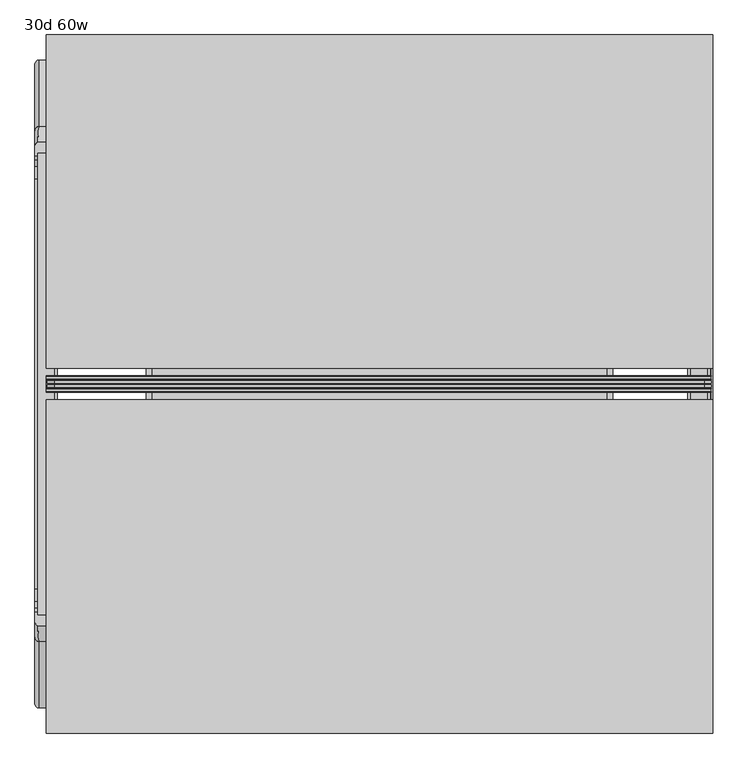
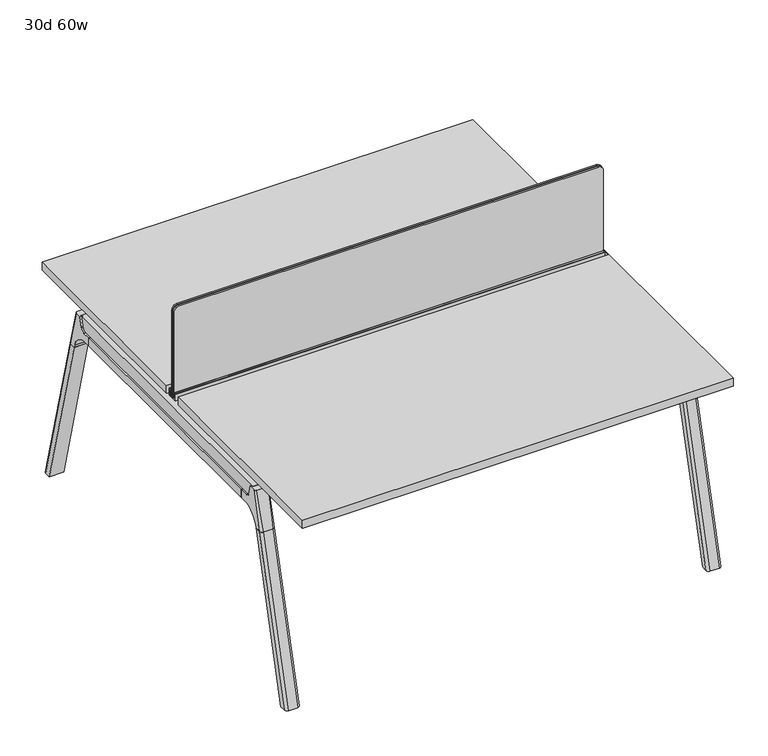
"""IFC4 building model written with IfcOpenShell, lengths in millimetres: furniture geometry, 30d 60w."""

from ifc_helpers import new_model, si_unit, point, frame, frame_2d, origin, place, context, project, spatial, polyline, circle_curve, ellipse_curve, trimmed, segment, composite_curve, outline, extrude, source, transform, mapped, element, save
from ifc_brep_helpers import plane_surface, cylinder_surface, revolved_surface, advanced_brep


def furniture_30d_60w_1b15b863(model_context):
    return source(origin(), model_context, "Body", "SolidModel", [
        extrude(outline(composite_curve([segment(polyline([(1054.89375, 955.675), (1054.89375, -523.875)]), True, "CONTINUOUS"), segment(trimmed(circle_curve(frame_2d((1039.01875, -523.875)), 15.875), [point((1054.89375, -523.875))], [point((1039.01875, -539.75))], False, "CARTESIAN"), True, "CONTINUOUS"), segment(polyline([(1039.01875, -539.75), (720.725, -539.75), (720.725, 971.55), (1039.01875, 971.55)]), True, "CONTINUOUS"), segment(trimmed(circle_curve(frame_2d((1039.01875, 955.675)), 15.875), [point((1039.01875, 971.55))], [point((1054.89375, 955.675))], False, "CARTESIAN"), True, "CONTINUOUS")], self_intersect=False)), frame((0.0, -201.3409766, 0.0), z_axis=(0.0, 1.0, 0.0), x_axis=(0.0, 0.0, 1.0)), (0.0, 0.0, 1.0), 3.175),
        extrude(outline(composite_curve([segment(polyline([(1058.06875, 958.85), (1058.06875, -527.05)]), True, "CONTINUOUS"), segment(trimmed(circle_curve(frame_2d((1042.19375, -527.05)), 15.875), [point((1058.06875, -527.05))], [point((1042.19375, -542.925))], False, "CARTESIAN"), True, "CONTINUOUS"), segment(polyline([(1042.19375, -542.925), (717.55, -542.925), (717.55, 974.725), (1042.19375, 974.725)]), True, "CONTINUOUS"), segment(trimmed(circle_curve(frame_2d((1042.19375, 958.85)), 15.875), [point((1042.19375, 974.725))], [point((1058.06875, 958.85))], False, "CARTESIAN"), True, "CONTINUOUS")], self_intersect=False)), frame((0.0, -198.1659766, 0.0), z_axis=(0.0, 1.0, 0.0), x_axis=(0.0, 0.0, 1.0)), (0.0, 0.0, 1.0), 5.55625),
        extrude(outline(composite_curve([segment(polyline([(1058.06875, 958.85), (1058.06875, -527.05)]), True, "CONTINUOUS"), segment(trimmed(circle_curve(frame_2d((1042.19375, -527.05)), 15.875), [point((1058.06875, -527.05))], [point((1042.19375, -542.925))], False, "CARTESIAN"), True, "CONTINUOUS"), segment(polyline([(1042.19375, -542.925), (717.55, -542.925), (717.55, 974.725), (1042.19375, 974.725)]), True, "CONTINUOUS"), segment(trimmed(circle_curve(frame_2d((1042.19375, 958.85)), 15.875), [point((1042.19375, 974.725))], [point((1058.06875, 958.85))], False, "CARTESIAN"), True, "CONTINUOUS")], self_intersect=False)), frame((0.0, -206.8972266, 0.0), z_axis=(0.0, 1.0, 0.0), x_axis=(0.0, 0.0, 1.0)), (0.0, 0.0, 1.0), 5.55625),
        extrude(outline(polyline([(-348.9784469, 559.4636683), (-364.040663, 627.7843353), (-35.4662901, 627.7843353), (-50.5285062, 559.4636683), (-46.7502281, 557.2647146), (-46.7502281, 549.3667827), (-62.6252238, 521.8704736), (-336.8817293, 521.8704736), (-352.756725, 549.3667827), (-352.756725, 557.2647146), (-348.9784469, 559.4636683)])), frame((736.6, 0.0, 0.0), z_axis=(1.0, 0.0, 0.0), x_axis=(0.0, 1.0, 0.0)), (0.0, 0.0, 1.0), 12.7),
        extrude(outline(polyline([(-348.9784469, 559.4636683), (-364.040663, 627.7843353), (-35.4662901, 627.7843353), (-50.5285062, 559.4636683), (-46.7502281, 557.2647146), (-46.7502281, 549.3667827), (-62.6252238, 521.8704736), (-336.8817293, 521.8704736), (-352.756725, 549.3667827), (-352.756725, 557.2647146), (-348.9784469, 559.4636683)])), frame((-317.5, 0.0, 0.0), z_axis=(1.0, 0.0, 0.0), x_axis=(0.0, 1.0, 0.0)), (0.0, 0.0, 1.0), 12.7),
        extrude(outline(polyline([(-18.0090763, 698.5), (3.7767266, 698.5), (3.7767266, 697.2935087), (-17.4495292, 697.2935087), (-19.0070753, 695.7359626), (-49.1186716, 559.1528512), (-50.5285062, 559.4636683), (-20.404074, 696.1050023), (-18.0090763, 698.5)])), frame((-317.5, 0.0, 0.0), z_axis=(1.0, 0.0, 0.0), x_axis=(0.0, 1.0, 0.0)), (0.0, 0.0, 1.0), 31.8008024),
        extrude(outline(polyline([(-381.4978768, 698.5), (-379.1028791, 696.1050023), (-348.9784469, 559.4636683), (-350.3882815, 559.1528512), (-380.4998778, 695.7359626), (-382.0574239, 697.2935087), (-403.2836797, 697.2935087), (-403.2836797, 698.5), (-381.4978768, 698.5)])), frame((-317.5, 0.0, 0.0), z_axis=(1.0, 0.0, 0.0), x_axis=(0.0, 1.0, 0.0)), (0.0, 0.0, 1.0), 31.8008024),
        extrude(outline(polyline([(-18.0090763, 698.5), (3.7767266, 698.5), (3.7767266, 697.2935087), (-17.4495292, 697.2935087), (-19.0070753, 695.7359626), (-49.1186716, 559.1528512), (-50.5285062, 559.4636683), (-20.404074, 696.1050023), (-18.0090763, 698.5)])), frame((717.4991976, 0.0, 0.0), z_axis=(1.0, 0.0, 0.0), x_axis=(0.0, 1.0, 0.0)), (0.0, 0.0, 1.0), 31.8008024),
        extrude(outline(polyline([(-381.4978768, 698.5), (-379.1028791, 696.1050023), (-348.9784469, 559.4636683), (-350.3882815, 559.1528512), (-380.4998778, 695.7359626), (-382.0574239, 697.2935087), (-403.2836797, 697.2935087), (-403.2836797, 698.5), (-381.4978768, 698.5)])), frame((717.4991976, 0.0, 0.0), z_axis=(1.0, 0.0, 0.0), x_axis=(0.0, 1.0, 0.0)), (0.0, 0.0, 1.0), 31.8008024),
        extrude(outline(polyline([(-353.550475, 557.5934966), (-351.518477, 559.6254947), (-350.957211, 559.0642287), (-352.756725, 557.2647146), (-352.756725, 549.3667827), (-352.5317745, 548.5272622), (-337.4390802, 522.3859395), (-336.0037101, 521.5572272), (-63.503243, 521.5572272), (-62.0678729, 522.3859395), (-46.9751786, 548.5272622), (-46.7502281, 549.3667827), (-46.7502281, 557.2647146), (-48.5497421, 559.0642287), (-47.9884761, 559.6254947), (-45.9564781, 557.5934966), (-45.9564781, 549.2622828), (-46.2355217, 548.2208856), (-61.4868074, 521.8048744), (-63.2905581, 520.7634772), (-336.216395, 520.7634772), (-338.0201457, 521.8048744), (-353.2714314, 548.2208856), (-353.550475, 549.2622828), (-353.550475, 557.5934966)])), frame((-317.4492037, 0.0, 0.0), z_axis=(1.0, 0.0, 0.0), x_axis=(0.0, 1.0, 0.0)), (0.0, 0.0, 1.0), 1066.7492037),
        extrude(outline(polyline([(-218.8034766, 715.9625), (-218.8034766, 741.3625), (-217.2159766, 741.3625), (-217.2159766, 720.725), (-210.8659766, 720.725), (-210.8659766, 741.3625), (-209.2784766, 741.3625), (-209.2784766, 717.55), (-190.2284766, 717.55), (-190.2284766, 741.3625), (-188.6409766, 741.3625), (-188.6409766, 720.725), (-182.2909766, 720.725), (-182.2909766, 741.3625), (-180.7034766, 741.3625), (-180.7034766, 715.9625), (-218.8034766, 715.9625)])), frame((-546.1, 0.0, 0.0), z_axis=(1.0, 0.0, 0.0), x_axis=(0.0, 1.0, 0.0)), (0.0, 0.0, 1.0), 1520.825),
        extrude(outline(composite_curve([segment(polyline([(328.0902734, 711.2), (319.0321726, 677.3947076)]), True, "CONTINUOUS"), segment(trimmed(circle_curve(frame_2d((303.6981001, 681.5034599)), 15.875), [point((319.0321726, 677.3947076))], [point((303.6981001, 665.6284599))], False, "CARTESIAN"), True, "CONTINUOUS"), segment(polyline([(303.6981001, 665.6284599), (-703.2050533, 665.6284599)]), True, "CONTINUOUS"), segment(trimmed(circle_curve(frame_2d((-703.2050533, 681.5034599)), 15.875), [point((-703.2050533, 665.6284599))], [point((-718.5391258, 677.3947076))], False, "CARTESIAN"), True, "CONTINUOUS"), segment(polyline([(-718.5391258, 677.3947076), (-727.5972266, 711.2), (328.0902734, 711.2)]), True, "CONTINUOUS")], self_intersect=False)), frame((927.1, 0.0, 0.0), z_axis=(1.0, 0.0, 0.0), x_axis=(0.0, 1.0, 0.0)), (0.0, 0.0, 1.0), 38.1),
        extrude(outline(polyline([(971.55, 267.7652734), (971.55, -667.2722266), (920.75, -667.2722266), (920.75, 267.7652734), (971.55, 267.7652734)])), frame((0.0, 0.0, 635.6476591), z_axis=(0.0, 0.0, 1.0), x_axis=(1.0, 0.0, 0.0)), (0.0, 0.0, 1.0), 29.9808008),
        extrude(outline(composite_curve([segment(polyline([(328.0902734, 711.2), (319.0321726, 677.3947076)]), True, "CONTINUOUS"), segment(trimmed(circle_curve(frame_2d((303.6981001, 681.5034599)), 15.875), [point((319.0321726, 677.3947076))], [point((303.6981001, 665.6284599))], False, "CARTESIAN"), True, "CONTINUOUS"), segment(polyline([(303.6981001, 665.6284599), (-703.2050533, 665.6284599)]), True, "CONTINUOUS"), segment(trimmed(circle_curve(frame_2d((-703.2050533, 681.5034599)), 15.875), [point((-703.2050533, 665.6284599))], [point((-718.5391258, 677.3947076))], False, "CARTESIAN"), True, "CONTINUOUS"), segment(polyline([(-718.5391258, 677.3947076), (-727.5972266, 711.2), (328.0902734, 711.2)]), True, "CONTINUOUS")], self_intersect=False)), frame((-565.15, 0.0, 0.0), z_axis=(1.0, 0.0, 0.0), x_axis=(0.0, 1.0, 0.0)), (0.0, 0.0, 1.0), 38.1),
        extrude(outline(polyline([(-520.7, 267.7652734), (-520.7, -667.2722266), (-571.5, -667.2722266), (-571.5, 267.7652734), (-520.7, 267.7652734)])), frame((0.0, 0.0, 635.6476591), z_axis=(0.0, 0.0, 1.0), x_axis=(1.0, 0.0, 0.0)), (0.0, 0.0, 1.0), 29.9808008),
        advanced_brep(
        [(920.75, -721.2935553, 711.2), (920.75, -712.2354545, 677.3947076), (920.75, -696.901382, 665.6284599), (920.75, -667.2722266, 665.6284599), (920.75, -667.2722266, 635.6476591), (920.75, -690.1434588, 635.6476591), (920.75, -754.5465633, 586.2294189), (920.75, -757.1047754, 576.6820411), (920.75, -778.2087453, 576.6820411), (920.75, -742.7601017, 711.2), (971.55, -757.1047754, 576.6820411), (971.55, -754.5465633, 586.2294189), (971.55, -690.1434588, 635.6476591), (971.55, -667.2722266, 635.6476591), (971.55, -667.2722266, 665.6284599), (971.55, -696.901382, 665.6284599), (971.55, -712.2354545, 677.3947076), (971.55, -721.2935553, 711.2), (971.55, -742.7601017, 711.2), (971.55, -778.2087453, 576.6820411), (927.0138162, -752.0149462, 711.2), (965.2861838, -752.0149462, 711.2), (962.025, -788.0589247, 576.6820411), (930.275, -788.0589247, 576.6820411)],
        [
            (0, 1),
            (1, 2, circle_curve(frame((920.75, -696.901382, 681.5034599), z_axis=(1.0, 0.0, 0.0), x_axis=(0.0, -1.0, 0.0)), 15.875)),
            (2, 3),
            (3, 4),
            (4, 5),
            (5, 6, circle_curve(frame((920.75, -690.1434588, 568.9726591), z_axis=(1.0, 0.0, 0.0), x_axis=(0.0, -1.0, 0.0)), 66.675)),
            (6, 7),
            (7, 8),
            (8, 9),
            (9, 0),
            (10, 11),
            (11, 12, circle_curve(frame((971.55, -690.1434588, 568.9726591), z_axis=(-1.0, 0.0, 0.0), x_axis=(0.0, -1.0, 0.0)), 66.675)),
            (12, 13),
            (13, 14),
            (14, 15),
            (15, 16, circle_curve(frame((971.55, -696.901382, 681.5034599), z_axis=(-1.0, 0.0, 0.0), x_axis=(0.0, -1.0, 0.0)), 15.875)),
            (16, 17),
            (17, 18),
            (18, 19),
            (19, 10),
            (17, 0),
            (9, 20, ellipse_curve(frame((930.275, -742.7601017, 711.2), z_axis=(0.0, 0.0, 1.0), x_axis=(0.0, -1.0, 0.0)), 9.8501793, 9.525)),
            (20, 21),
            (21, 18, ellipse_curve(frame((962.025, -742.7601017, 711.2), z_axis=(0.0, 0.0, 1.0), x_axis=(0.0, -1.0, 0.0)), 9.8501793, 9.525)),
            (16, 1),
            (15, 2),
            (14, 3),
            (13, 4),
            (12, 5),
            (11, 6),
            (10, 7),
            (19, 22, ellipse_curve(frame((962.025, -778.2087453, 576.6820411), z_axis=(0.0, 0.0, -1.0), x_axis=(0.0, -1.0, 0.0)), 9.8501793, 9.525)),
            (22, 23),
            (23, 8, ellipse_curve(frame((930.275, -778.2087453, 576.6820411), z_axis=(0.0, 0.0, -1.0), x_axis=(0.0, -1.0, 0.0)), 9.8501793, 9.525)),
            (20, 23, ellipse_curve(frame((930.275, -191.6892106, 2802.3641142), z_axis=(0.0, -0.9659258262890684, 0.2588190451025206), x_axis=(0.0, -0.2588190451025206, -0.9659258262890684)), 2304.1956354, 9.525)),
            (22, 21, ellipse_curve(frame((962.025, -191.6892106, 2802.3641142), z_axis=(0.0, -0.9659258262890684, 0.2588190451025206), x_axis=(0.0, -0.2588190451025206, -0.9659258262890684)), 2304.1956354, 9.525)),
        ],
        [
            plane_surface(frame((920.75, -752.0149462, 711.2), z_axis=(-1.0, 0.0, 0.0), x_axis=(0.0, 1.0, 0.0))),
            plane_surface(frame((971.55, -752.0149462, 711.2), z_axis=(1.0, 0.0, 0.0), x_axis=(0.0, -1.0, 0.0))),
            plane_surface(frame((920.75, -752.0149462, 711.2), z_axis=(0.0, 0.0, 1.0), x_axis=(1.0, 0.0, 0.0))),
            plane_surface(frame((920.75, -721.2935553, 711.2), z_axis=(0.0, 0.9659258262890683, 0.2588190451025207), x_axis=(1.0, 0.0, 0.0))),
            revolved_surface(polyline([(971.55, -712.776382, 681.5034599), (920.75, -712.776382, 681.5034599)]), (971.55, -696.901382, 681.5034599), (1.0, 0.0, 0.0)),
            plane_surface(frame((920.75, -696.901382, 665.6284599), z_axis=(0.0, 0.0, 1.0), x_axis=(1.0, 0.0, 0.0))),
            plane_surface(frame((920.75, -667.2722266, 665.6284599), z_axis=(0.0, 1.0, 0.0), x_axis=(1.0, 0.0, 0.0))),
            plane_surface(frame((920.75, -667.2722266, 635.6476591), z_axis=(0.0, 0.0, -1.0), x_axis=(1.0, 0.0, 0.0))),
            revolved_surface(polyline([(971.55, -756.8184587999999, 568.9726591), (920.75, -756.8184587999999, 568.9726591)]), (971.55, -690.1434588, 568.9726591), (1.0, 0.0, 0.0)),
            plane_surface(frame((920.75, -754.5465633, 586.2294189), z_axis=(0.0, 0.9659258262890693, -0.25881904510251696), x_axis=(1.0, 0.0, 0.0))),
            plane_surface(frame((920.75, -757.1047754, 576.6820411), z_axis=(0.0, 0.0, -1.0), x_axis=(1.0, 0.0, 0.0))),
            plane_surface(frame((920.75, -788.0589247, 576.6820411), z_axis=(0.0, -0.9659258262890684, 0.2588190451025206), x_axis=(1.0, 0.0, 0.0))),
            cylinder_surface(frame((930.275, -930.8176402, -2.4271979), z_axis=(0.0, -0.25482392474081483, -0.966987470125486), x_axis=(1.0, 0.0, 0.0)), 9.525),
            cylinder_surface(frame((962.025, -930.8176402, -2.4271979), z_axis=(0.0, -0.25482392474081483, -0.966987470125486), x_axis=(1.0, 0.0, 0.0)), 9.525),
        ],
        [
            (0, [[1, 2, 3, 4, 5, 6, 7, 8, 9, 10]]),
            (1, [[11, 12, 13, 14, 15, 16, 17, 18, 19, 20]]),
            (2, [[21, -10, 22, 23, 24, -18]]),
            (3, [[-1, -21, -17, 25]]),
            (4, [[-2, -25, -16, 26]]),
            (5, [[-3, -26, -15, 27]]),
            (6, [[-4, -27, -14, 28]]),
            (7, [[-5, -28, -13, 29]]),
            (8, [[-6, -29, -12, 30]]),
            (9, [[-7, -30, -11, 31]]),
            (10, [[-31, -20, 32, 33, 34, -8]]),
            (11, [[-23, 35, -33, 36]]),
            (12, [[-9, -34, -35, -22]]),
            (13, [[-19, -24, -36, -32]]),
        ],
    ),
        advanced_brep(
        [(920.75, -757.1047754, 576.6820411), (920.75, -909.0740466, 0.0), (920.75, -930.1780165, 0.0), (920.75, -778.2087453, 576.6820411), (971.55, -909.0740466, 0.0), (971.55, -757.1047754, 576.6820411), (971.55, -778.2087453, 576.6820411), (971.55, -930.1780165, 0.0), (930.275, -788.0589247, 576.6820411), (962.025, -788.0589247, 576.6820411), (962.025, -940.0281958, 0.0), (930.275, -940.0281958, 0.0)],
        [
            (0, 1),
            (1, 2),
            (2, 3),
            (3, 0),
            (4, 5),
            (5, 6),
            (6, 7),
            (7, 4),
            (5, 0),
            (3, 8, ellipse_curve(frame((930.275, -778.2087453, 576.6820411), z_axis=(0.0, 0.0, 1.0), x_axis=(0.0, -1.0, 0.0)), 9.8501793, 9.525)),
            (8, 9),
            (9, 6, ellipse_curve(frame((962.025, -778.2087453, 576.6820411), z_axis=(0.0, 0.0, 1.0), x_axis=(0.0, -1.0, 0.0)), 9.8501793, 9.525)),
            (4, 1),
            (7, 10, ellipse_curve(frame((962.025, -930.1780165, 0.0), z_axis=(0.0, 0.0, -1.0), x_axis=(0.0, -1.0, 0.0)), 9.8501793, 9.525)),
            (10, 11),
            (11, 2, ellipse_curve(frame((930.275, -930.1780165, 0.0), z_axis=(0.0, 0.0, -1.0), x_axis=(0.0, -1.0, 0.0)), 9.8501793, 9.525)),
            (8, 11),
            (10, 9),
        ],
        [
            plane_surface(frame((920.75, -788.0589247, 576.6820411), z_axis=(-1.0, 0.0, 0.0), x_axis=(0.0, 1.0, 0.0))),
            plane_surface(frame((971.55, -788.0589247, 576.6820411), z_axis=(1.0, 0.0, 0.0), x_axis=(0.0, -1.0, 0.0))),
            plane_surface(frame((920.75, -788.0589247, 576.6820411), z_axis=(0.0, 0.0, 1.0), x_axis=(1.0, 0.0, 0.0))),
            plane_surface(frame((920.75, -757.1047754, 576.6820411), z_axis=(0.0, 0.9669874701254844, -0.2548239247408208), x_axis=(1.0, 0.0, 0.0))),
            plane_surface(frame((920.75, -909.0740466, 0.0), z_axis=(0.0, 0.0, -1.0), x_axis=(1.0, 0.0, 0.0))),
            plane_surface(frame((920.75, -940.0281958, 0.0), z_axis=(0.0, -0.9669874701254855, 0.2548239247408166), x_axis=(1.0, 0.0, 0.0))),
            cylinder_surface(frame((930.275, -930.8176402, -2.4271979), z_axis=(0.0, -0.25482392474081483, -0.966987470125486), x_axis=(1.0, 0.0, 0.0)), 9.525),
            cylinder_surface(frame((962.025, -930.8176402, -2.4271979), z_axis=(0.0, -0.25482392474081483, -0.966987470125486), x_axis=(1.0, 0.0, 0.0)), 9.525),
        ],
        [
            (0, [[1, 2, 3, 4]]),
            (1, [[5, 6, 7, 8]]),
            (2, [[9, -4, 10, 11, 12, -6]]),
            (3, [[-1, -9, -5, 13]]),
            (4, [[-13, -8, 14, 15, 16, -2]]),
            (5, [[-11, 17, -15, 18]]),
            (6, [[-3, -16, -17, -10]]),
            (7, [[-7, -12, -18, -14]]),
        ],
    ),
        advanced_brep(
        [(971.55, 321.7866022, 711.2), (971.55, 312.7285014, 677.3947076), (971.55, 297.3944289, 665.6284599), (971.55, 267.7652734, 665.6284599), (971.55, 267.7652734, 635.6476591), (971.55, 290.6365057, 635.6476591), (971.55, 355.0396101, 586.2294189), (971.55, 357.5978223, 576.6820411), (971.55, 378.7017922, 576.6820411), (971.55, 343.2531486, 711.2), (920.75, 357.5978223, 576.6820411), (920.75, 355.0396101, 586.2294189), (920.75, 290.6365057, 635.6476591), (920.75, 267.7652734, 635.6476591), (920.75, 267.7652734, 665.6284599), (920.75, 297.3944289, 665.6284599), (920.75, 312.7285014, 677.3947076), (920.75, 321.7866022, 711.2), (920.75, 343.2531486, 711.2), (920.75, 378.7017922, 576.6820411), (965.2861838, 352.5079931, 711.2), (927.0138162, 352.5079931, 711.2), (930.275, 388.5519716, 576.6820411), (962.025, 388.5519716, 576.6820411)],
        [
            (0, 1),
            (1, 2, circle_curve(frame((971.55, 297.3944289, 681.5034599), z_axis=(-1.0, 0.0, 0.0), x_axis=(0.0, 1.0, 0.0)), 15.875)),
            (2, 3),
            (3, 4),
            (4, 5),
            (5, 6, circle_curve(frame((971.55, 290.6365057, 568.9726591), z_axis=(-1.0, 0.0, 0.0), x_axis=(0.0, 1.0, 0.0)), 66.675)),
            (6, 7),
            (7, 8),
            (8, 9),
            (9, 0),
            (10, 11),
            (11, 12, circle_curve(frame((920.75, 290.6365057, 568.9726591), z_axis=(1.0, 0.0, 0.0), x_axis=(0.0, 1.0, 0.0)), 66.675)),
            (12, 13),
            (13, 14),
            (14, 15),
            (15, 16, circle_curve(frame((920.75, 297.3944289, 681.5034599), z_axis=(1.0, 0.0, 0.0), x_axis=(0.0, 1.0, 0.0)), 15.875)),
            (16, 17),
            (17, 18),
            (18, 19),
            (19, 10),
            (17, 0),
            (9, 20, ellipse_curve(frame((962.025, 343.2531486, 711.2), z_axis=(0.0, 0.0, 1.0), x_axis=(0.0, 1.0, 0.0)), 9.8501793, 9.525)),
            (20, 21),
            (21, 18, ellipse_curve(frame((930.275, 343.2531486, 711.2), z_axis=(0.0, 0.0, 1.0), x_axis=(0.0, 1.0, 0.0)), 9.8501793, 9.525)),
            (16, 1),
            (15, 2),
            (14, 3),
            (13, 4),
            (12, 5),
            (11, 6),
            (10, 7),
            (19, 22, ellipse_curve(frame((930.275, 378.7017922, 576.6820411), z_axis=(0.0, 0.0, -1.0), x_axis=(0.0, 1.0, 0.0)), 9.8501793, 9.525)),
            (22, 23),
            (23, 8, ellipse_curve(frame((962.025, 378.7017922, 576.6820411), z_axis=(0.0, 0.0, -1.0), x_axis=(0.0, 1.0, 0.0)), 9.8501793, 9.525)),
            (20, 23, ellipse_curve(frame((962.025, -207.8177425, 2802.3641142), z_axis=(0.0, 0.9659258262890684, 0.2588190451025206), x_axis=(0.0, 0.2588190451025206, -0.9659258262890684)), 2304.1956354, 9.525)),
            (22, 21, ellipse_curve(frame((930.275, -207.8177425, 2802.3641142), z_axis=(0.0, 0.9659258262890684, 0.2588190451025206), x_axis=(0.0, 0.2588190451025206, -0.9659258262890684)), 2304.1956354, 9.525)),
        ],
        [
            plane_surface(frame((971.55, 352.5079931, 711.2), z_axis=(1.0, 0.0, 0.0), x_axis=(0.0, -1.0, 0.0))),
            plane_surface(frame((920.75, 352.5079931, 711.2), z_axis=(-1.0, 0.0, 0.0), x_axis=(0.0, 1.0, 0.0))),
            plane_surface(frame((971.55, 352.5079931, 711.2), z_axis=(0.0, 0.0, 1.0), x_axis=(-1.0, 0.0, 0.0))),
            plane_surface(frame((971.55, 321.7866022, 711.2), z_axis=(0.0, -0.9659258262890683, 0.2588190451025207), x_axis=(-1.0, 0.0, 0.0))),
            revolved_surface(polyline([(920.75, 313.2694289, 681.5034599), (971.55, 313.2694289, 681.5034599)]), (920.75, 297.3944289, 681.5034599), (-1.0, 0.0, 0.0)),
            plane_surface(frame((971.55, 297.3944289, 665.6284599), z_axis=(0.0, 0.0, 1.0), x_axis=(-1.0, 0.0, 0.0))),
            plane_surface(frame((971.55, 267.7652734, 665.6284599), z_axis=(0.0, -1.0, 0.0), x_axis=(-1.0, 0.0, 0.0))),
            plane_surface(frame((971.55, 267.7652734, 635.6476591), z_axis=(0.0, 0.0, -1.0), x_axis=(-1.0, 0.0, 0.0))),
            revolved_surface(polyline([(920.75, 357.3115057, 568.9726591), (971.55, 357.3115057, 568.9726591)]), (920.75, 290.6365057, 568.9726591), (-1.0, 0.0, 0.0)),
            plane_surface(frame((971.55, 355.0396101, 586.2294189), z_axis=(0.0, -0.9659258262890693, -0.25881904510251696), x_axis=(-1.0, 0.0, 0.0))),
            plane_surface(frame((971.55, 357.5978223, 576.6820411), z_axis=(0.0, 0.0, -1.0), x_axis=(-1.0, 0.0, 0.0))),
            plane_surface(frame((971.55, 388.5519716, 576.6820411), z_axis=(0.0, 0.9659258262890684, 0.2588190451025206), x_axis=(-1.0, 0.0, 0.0))),
            cylinder_surface(frame((962.025, 531.3106871, -2.4271979), z_axis=(0.0, 0.25482392474081483, -0.966987470125486), x_axis=(-1.0, 0.0, 0.0)), 9.525),
            cylinder_surface(frame((930.275, 531.3106871, -2.4271979), z_axis=(0.0, 0.25482392474081483, -0.966987470125486), x_axis=(-1.0, 0.0, 0.0)), 9.525),
        ],
        [
            (0, [[1, 2, 3, 4, 5, 6, 7, 8, 9, 10]]),
            (1, [[11, 12, 13, 14, 15, 16, 17, 18, 19, 20]]),
            (2, [[21, -10, 22, 23, 24, -18]]),
            (3, [[-1, -21, -17, 25]]),
            (4, [[-2, -25, -16, 26]]),
            (5, [[-3, -26, -15, 27]]),
            (6, [[-4, -27, -14, 28]]),
            (7, [[-5, -28, -13, 29]]),
            (8, [[-6, -29, -12, 30]]),
            (9, [[-7, -30, -11, 31]]),
            (10, [[-31, -20, 32, 33, 34, -8]]),
            (11, [[-23, 35, -33, 36]]),
            (12, [[-9, -34, -35, -22]]),
            (13, [[-19, -24, -36, -32]]),
        ],
    ),
        advanced_brep(
        [(971.55, 357.5978223, 576.6820411), (971.55, 509.5670935, 0.0), (971.55, 530.6710634, 0.0), (971.55, 378.7017922, 576.6820411), (920.75, 509.5670935, 0.0), (920.75, 357.5978223, 576.6820411), (920.75, 378.7017922, 576.6820411), (920.75, 530.6710634, 0.0), (962.025, 388.5519716, 576.6820411), (930.275, 388.5519716, 576.6820411), (930.275, 540.5212427, 0.0), (962.025, 540.5212427, 0.0)],
        [
            (0, 1),
            (1, 2),
            (2, 3),
            (3, 0),
            (4, 5),
            (5, 6),
            (6, 7),
            (7, 4),
            (5, 0),
            (3, 8, ellipse_curve(frame((962.025, 378.7017922, 576.6820411), z_axis=(0.0, 0.0, 1.0), x_axis=(0.0, 1.0, 0.0)), 9.8501793, 9.525)),
            (8, 9),
            (9, 6, ellipse_curve(frame((930.275, 378.7017922, 576.6820411), z_axis=(0.0, 0.0, 1.0), x_axis=(0.0, 1.0, 0.0)), 9.8501793, 9.525)),
            (4, 1),
            (7, 10, ellipse_curve(frame((930.275, 530.6710634, 0.0), z_axis=(0.0, 0.0, -1.0), x_axis=(0.0, 1.0, 0.0)), 9.8501793, 9.525)),
            (10, 11),
            (11, 2, ellipse_curve(frame((962.025, 530.6710634, 0.0), z_axis=(0.0, 0.0, -1.0), x_axis=(0.0, 1.0, 0.0)), 9.8501793, 9.525)),
            (8, 11),
            (10, 9),
        ],
        [
            plane_surface(frame((971.55, 388.5519716, 576.6820411), z_axis=(1.0, 0.0, 0.0), x_axis=(0.0, -1.0, 0.0))),
            plane_surface(frame((920.75, 388.5519716, 576.6820411), z_axis=(-1.0, 0.0, 0.0), x_axis=(0.0, 1.0, 0.0))),
            plane_surface(frame((971.55, 388.5519716, 576.6820411), z_axis=(0.0, 0.0, 1.0), x_axis=(-1.0, 0.0, 0.0))),
            plane_surface(frame((971.55, 357.5978223, 576.6820411), z_axis=(0.0, -0.9669874701254844, -0.2548239247408208), x_axis=(-1.0, 0.0, 0.0))),
            plane_surface(frame((971.55, 509.5670935, 0.0), z_axis=(0.0, 0.0, -1.0), x_axis=(-1.0, 0.0, 0.0))),
            plane_surface(frame((971.55, 540.5212427, 0.0), z_axis=(0.0, 0.9669874701254855, 0.2548239247408166), x_axis=(-1.0, 0.0, 0.0))),
            cylinder_surface(frame((962.025, 531.3106871, -2.4271979), z_axis=(0.0, 0.25482392474081483, -0.966987470125486), x_axis=(-1.0, 0.0, 0.0)), 9.525),
            cylinder_surface(frame((930.275, 531.3106871, -2.4271979), z_axis=(0.0, 0.25482392474081483, -0.966987470125486), x_axis=(-1.0, 0.0, 0.0)), 9.525),
        ],
        [
            (0, [[1, 2, 3, 4]]),
            (1, [[5, 6, 7, 8]]),
            (2, [[9, -4, 10, 11, 12, -6]]),
            (3, [[-1, -9, -5, 13]]),
            (4, [[-13, -8, 14, 15, 16, -2]]),
            (5, [[-11, 17, -15, 18]]),
            (6, [[-3, -16, -17, -10]]),
            (7, [[-7, -12, -18, -14]]),
        ],
    ),
        advanced_brep(
        [(-520.7, 321.7866022, 711.2), (-520.7, 312.7285014, 677.3947076), (-520.7, 297.3944289, 665.6284599), (-520.7, 267.7652734, 665.6284599), (-520.7, 267.7652734, 635.6476591), (-520.7, 290.6365057, 635.6476591), (-520.7, 355.0396101, 586.2294189), (-520.7, 357.5978223, 576.6820411), (-520.7, 378.7017922, 576.6820411), (-520.7, 343.2531486, 711.2), (-571.5, 357.5978223, 576.6820411), (-571.5, 355.0396101, 586.2294189), (-571.5, 290.6365057, 635.6476591), (-571.5, 267.7652734, 635.6476591), (-571.5, 267.7652734, 665.6284599), (-571.5, 297.3944289, 665.6284599), (-571.5, 312.7285014, 677.3947076), (-571.5, 321.7866022, 711.2), (-571.5, 343.2531486, 711.2), (-571.5, 378.7017922, 576.6820411), (-526.9638162, 352.5079931, 711.2), (-565.2361838, 352.5079931, 711.2), (-561.975, 388.5519716, 576.6820411), (-530.225, 388.5519716, 576.6820411)],
        [
            (0, 1),
            (1, 2, circle_curve(frame((-520.7, 297.3944289, 681.5034599), z_axis=(-1.0, 0.0, 0.0), x_axis=(0.0, 1.0, 0.0)), 15.875)),
            (2, 3),
            (3, 4),
            (4, 5),
            (5, 6, circle_curve(frame((-520.7, 290.6365057, 568.9726591), z_axis=(-1.0, 0.0, 0.0), x_axis=(0.0, 1.0, 0.0)), 66.675)),
            (6, 7),
            (7, 8),
            (8, 9),
            (9, 0),
            (10, 11),
            (11, 12, circle_curve(frame((-571.5, 290.6365057, 568.9726591), z_axis=(1.0, 0.0, 0.0), x_axis=(0.0, 1.0, 0.0)), 66.675)),
            (12, 13),
            (13, 14),
            (14, 15),
            (15, 16, circle_curve(frame((-571.5, 297.3944289, 681.5034599), z_axis=(1.0, 0.0, 0.0), x_axis=(0.0, 1.0, 0.0)), 15.875)),
            (16, 17),
            (17, 18),
            (18, 19),
            (19, 10),
            (17, 0),
            (9, 20, ellipse_curve(frame((-530.225, 343.2531486, 711.2), z_axis=(0.0, 0.0, 1.0), x_axis=(0.0, 1.0, 0.0)), 9.8501793, 9.525)),
            (20, 21),
            (21, 18, ellipse_curve(frame((-561.975, 343.2531486, 711.2), z_axis=(0.0, 0.0, 1.0), x_axis=(0.0, 1.0, 0.0)), 9.8501793, 9.525)),
            (16, 1),
            (15, 2),
            (14, 3),
            (13, 4),
            (12, 5),
            (11, 6),
            (10, 7),
            (19, 22, ellipse_curve(frame((-561.975, 378.7017922, 576.6820411), z_axis=(0.0, 0.0, -1.0), x_axis=(0.0, 1.0, 0.0)), 9.8501793, 9.525)),
            (22, 23),
            (23, 8, ellipse_curve(frame((-530.225, 378.7017922, 576.6820411), z_axis=(0.0, 0.0, -1.0), x_axis=(0.0, 1.0, 0.0)), 9.8501793, 9.525)),
            (20, 23, ellipse_curve(frame((-530.225, -207.8177425, 2802.3641142), z_axis=(0.0, 0.9659258262890684, 0.2588190451025206), x_axis=(0.0, 0.2588190451025206, -0.9659258262890684)), 2304.1956354, 9.525)),
            (22, 21, ellipse_curve(frame((-561.975, -207.8177425, 2802.3641142), z_axis=(0.0, 0.9659258262890684, 0.2588190451025206), x_axis=(0.0, 0.2588190451025206, -0.9659258262890684)), 2304.1956354, 9.525)),
        ],
        [
            plane_surface(frame((-520.7, 352.5079931, 711.2), z_axis=(1.0, 0.0, 0.0), x_axis=(0.0, -1.0, 0.0))),
            plane_surface(frame((-571.5, 352.5079931, 711.2), z_axis=(-1.0, 0.0, 0.0), x_axis=(0.0, 1.0, 0.0))),
            plane_surface(frame((-520.7, 352.5079931, 711.2), z_axis=(0.0, 0.0, 1.0), x_axis=(-1.0, 0.0, 0.0))),
            plane_surface(frame((-520.7, 321.7866022, 711.2), z_axis=(0.0, -0.9659258262890683, 0.2588190451025207), x_axis=(-1.0, 0.0, 0.0))),
            revolved_surface(polyline([(-571.5, 313.2694289, 681.5034599), (-520.7, 313.2694289, 681.5034599)]), (-571.5, 297.3944289, 681.5034599), (-1.0, 0.0, 0.0)),
            plane_surface(frame((-520.7, 297.3944289, 665.6284599), z_axis=(0.0, 0.0, 1.0), x_axis=(-1.0, 0.0, 0.0))),
            plane_surface(frame((-520.7, 267.7652734, 665.6284599), z_axis=(0.0, -1.0, 0.0), x_axis=(-1.0, 0.0, 0.0))),
            plane_surface(frame((-520.7, 267.7652734, 635.6476591), z_axis=(0.0, 0.0, -1.0), x_axis=(-1.0, 0.0, 0.0))),
            revolved_surface(polyline([(-571.5, 357.3115057, 568.9726591), (-520.7, 357.3115057, 568.9726591)]), (-571.5, 290.6365057, 568.9726591), (-1.0, 0.0, 0.0)),
            plane_surface(frame((-520.7, 355.0396101, 586.2294189), z_axis=(0.0, -0.9659258262890693, -0.25881904510251696), x_axis=(-1.0, 0.0, 0.0))),
            plane_surface(frame((-520.7, 357.5978223, 576.6820411), z_axis=(0.0, 0.0, -1.0), x_axis=(-1.0, 0.0, 0.0))),
            plane_surface(frame((-520.7, 388.5519716, 576.6820411), z_axis=(0.0, 0.9659258262890684, 0.2588190451025206), x_axis=(-1.0, 0.0, 0.0))),
            cylinder_surface(frame((-530.225, 531.3106871, -2.4271979), z_axis=(0.0, 0.25482392474081483, -0.966987470125486), x_axis=(-1.0, 0.0, 0.0)), 9.525),
            cylinder_surface(frame((-561.975, 531.3106871, -2.4271979), z_axis=(0.0, 0.25482392474081483, -0.966987470125486), x_axis=(-1.0, 0.0, 0.0)), 9.525),
        ],
        [
            (0, [[1, 2, 3, 4, 5, 6, 7, 8, 9, 10]]),
            (1, [[11, 12, 13, 14, 15, 16, 17, 18, 19, 20]]),
            (2, [[21, -10, 22, 23, 24, -18]]),
            (3, [[-1, -21, -17, 25]]),
            (4, [[-2, -25, -16, 26]]),
            (5, [[-3, -26, -15, 27]]),
            (6, [[-4, -27, -14, 28]]),
            (7, [[-5, -28, -13, 29]]),
            (8, [[-6, -29, -12, 30]]),
            (9, [[-7, -30, -11, 31]]),
            (10, [[-31, -20, 32, 33, 34, -8]]),
            (11, [[-23, 35, -33, 36]]),
            (12, [[-9, -34, -35, -22]]),
            (13, [[-19, -24, -36, -32]]),
        ],
    ),
        advanced_brep(
        [(-520.7, 357.5978223, 576.6820411), (-520.7, 509.5670935, 0.0), (-520.7, 530.6710634, 0.0), (-520.7, 378.7017922, 576.6820411), (-571.5, 509.5670935, 0.0), (-571.5, 357.5978223, 576.6820411), (-571.5, 378.7017922, 576.6820411), (-571.5, 530.6710634, 0.0), (-530.225, 388.5519716, 576.6820411), (-561.975, 388.5519716, 576.6820411), (-561.975, 540.5212427, 0.0), (-530.225, 540.5212427, 0.0)],
        [
            (0, 1),
            (1, 2),
            (2, 3),
            (3, 0),
            (4, 5),
            (5, 6),
            (6, 7),
            (7, 4),
            (5, 0),
            (3, 8, ellipse_curve(frame((-530.225, 378.7017922, 576.6820411), z_axis=(0.0, 0.0, 1.0), x_axis=(0.0, 1.0, 0.0)), 9.8501793, 9.525)),
            (8, 9),
            (9, 6, ellipse_curve(frame((-561.975, 378.7017922, 576.6820411), z_axis=(0.0, 0.0, 1.0), x_axis=(0.0, 1.0, 0.0)), 9.8501793, 9.525)),
            (4, 1),
            (7, 10, ellipse_curve(frame((-561.975, 530.6710634, 0.0), z_axis=(0.0, 0.0, -1.0), x_axis=(0.0, 1.0, 0.0)), 9.8501793, 9.525)),
            (10, 11),
            (11, 2, ellipse_curve(frame((-530.225, 530.6710634, 0.0), z_axis=(0.0, 0.0, -1.0), x_axis=(0.0, 1.0, 0.0)), 9.8501793, 9.525)),
            (8, 11),
            (10, 9),
        ],
        [
            plane_surface(frame((-520.7, 388.5519716, 576.6820411), z_axis=(1.0, 0.0, 0.0), x_axis=(0.0, -1.0, 0.0))),
            plane_surface(frame((-571.5, 388.5519716, 576.6820411), z_axis=(-1.0, 0.0, 0.0), x_axis=(0.0, 1.0, 0.0))),
            plane_surface(frame((-520.7, 388.5519716, 576.6820411), z_axis=(0.0, 0.0, 1.0), x_axis=(-1.0, 0.0, 0.0))),
            plane_surface(frame((-520.7, 357.5978223, 576.6820411), z_axis=(0.0, -0.9669874701254844, -0.2548239247408208), x_axis=(-1.0, 0.0, 0.0))),
            plane_surface(frame((-520.7, 509.5670935, 0.0), z_axis=(0.0, 0.0, -1.0), x_axis=(-1.0, 0.0, 0.0))),
            plane_surface(frame((-520.7, 540.5212427, 0.0), z_axis=(0.0, 0.9669874701254855, 0.2548239247408166), x_axis=(-1.0, 0.0, 0.0))),
            cylinder_surface(frame((-530.225, 531.3106871, -2.4271979), z_axis=(0.0, 0.25482392474081483, -0.966987470125486), x_axis=(-1.0, 0.0, 0.0)), 9.525),
            cylinder_surface(frame((-561.975, 531.3106871, -2.4271979), z_axis=(0.0, 0.25482392474081483, -0.966987470125486), x_axis=(-1.0, 0.0, 0.0)), 9.525),
        ],
        [
            (0, [[1, 2, 3, 4]]),
            (1, [[5, 6, 7, 8]]),
            (2, [[9, -4, 10, 11, 12, -6]]),
            (3, [[-1, -9, -5, 13]]),
            (4, [[-13, -8, 14, 15, 16, -2]]),
            (5, [[-11, 17, -15, 18]]),
            (6, [[-3, -16, -17, -10]]),
            (7, [[-7, -12, -18, -14]]),
        ],
    ),
        advanced_brep(
        [(-571.5, -721.2935553, 711.2), (-571.5, -712.2354545, 677.3947076), (-571.5, -696.901382, 665.6284599), (-571.5, -667.2722266, 665.6284599), (-571.5, -667.2722266, 635.6476591), (-571.5, -690.1434588, 635.6476591), (-571.5, -754.5465633, 586.2294189), (-571.5, -757.1047754, 576.6820411), (-571.5, -778.2087453, 576.6820411), (-571.5, -742.7601017, 711.2), (-520.7, -757.1047754, 576.6820411), (-520.7, -754.5465633, 586.2294189), (-520.7, -690.1434588, 635.6476591), (-520.7, -667.2722266, 635.6476591), (-520.7, -667.2722266, 665.6284599), (-520.7, -696.901382, 665.6284599), (-520.7, -712.2354545, 677.3947076), (-520.7, -721.2935553, 711.2), (-520.7, -742.7601017, 711.2), (-520.7, -778.2087453, 576.6820411), (-565.2361838, -752.0149462, 711.2), (-526.9638162, -752.0149462, 711.2), (-530.225, -788.0589247, 576.6820411), (-561.975, -788.0589247, 576.6820411)],
        [
            (0, 1),
            (1, 2, circle_curve(frame((-571.5, -696.901382, 681.5034599), z_axis=(1.0, 0.0, 0.0), x_axis=(0.0, -1.0, 0.0)), 15.875)),
            (2, 3),
            (3, 4),
            (4, 5),
            (5, 6, circle_curve(frame((-571.5, -690.1434588, 568.9726591), z_axis=(1.0, 0.0, 0.0), x_axis=(0.0, -1.0, 0.0)), 66.675)),
            (6, 7),
            (7, 8),
            (8, 9),
            (9, 0),
            (10, 11),
            (11, 12, circle_curve(frame((-520.7, -690.1434588, 568.9726591), z_axis=(-1.0, 0.0, 0.0), x_axis=(0.0, -1.0, 0.0)), 66.675)),
            (12, 13),
            (13, 14),
            (14, 15),
            (15, 16, circle_curve(frame((-520.7, -696.901382, 681.5034599), z_axis=(-1.0, 0.0, 0.0), x_axis=(0.0, -1.0, 0.0)), 15.875)),
            (16, 17),
            (17, 18),
            (18, 19),
            (19, 10),
            (17, 0),
            (9, 20, ellipse_curve(frame((-561.975, -742.7601017, 711.2), z_axis=(0.0, 0.0, 1.0), x_axis=(0.0, -1.0, 0.0)), 9.8501793, 9.525)),
            (20, 21),
            (21, 18, ellipse_curve(frame((-530.225, -742.7601017, 711.2), z_axis=(0.0, 0.0, 1.0), x_axis=(0.0, -1.0, 0.0)), 9.8501793, 9.525)),
            (16, 1),
            (15, 2),
            (14, 3),
            (13, 4),
            (12, 5),
            (11, 6),
            (10, 7),
            (19, 22, ellipse_curve(frame((-530.225, -778.2087453, 576.6820411), z_axis=(0.0, 0.0, -1.0), x_axis=(0.0, -1.0, 0.0)), 9.8501793, 9.525)),
            (22, 23),
            (23, 8, ellipse_curve(frame((-561.975, -778.2087453, 576.6820411), z_axis=(0.0, 0.0, -1.0), x_axis=(0.0, -1.0, 0.0)), 9.8501793, 9.525)),
            (20, 23, ellipse_curve(frame((-561.975, -191.6892106, 2802.3641142), z_axis=(0.0, -0.9659258262890684, 0.2588190451025206), x_axis=(0.0, -0.2588190451025206, -0.9659258262890684)), 2304.1956354, 9.525)),
            (22, 21, ellipse_curve(frame((-530.225, -191.6892106, 2802.3641142), z_axis=(0.0, -0.9659258262890684, 0.2588190451025206), x_axis=(0.0, -0.2588190451025206, -0.9659258262890684)), 2304.1956354, 9.525)),
        ],
        [
            plane_surface(frame((-571.5, -752.0149462, 711.2), z_axis=(-1.0, 0.0, 0.0), x_axis=(0.0, 1.0, 0.0))),
            plane_surface(frame((-520.7, -752.0149462, 711.2), z_axis=(1.0, 0.0, 0.0), x_axis=(0.0, -1.0, 0.0))),
            plane_surface(frame((-571.5, -752.0149462, 711.2), z_axis=(0.0, 0.0, 1.0), x_axis=(1.0, 0.0, 0.0))),
            plane_surface(frame((-571.5, -721.2935553, 711.2), z_axis=(0.0, 0.9659258262890683, 0.2588190451025207), x_axis=(1.0, 0.0, 0.0))),
            revolved_surface(polyline([(-520.7, -712.776382, 681.5034599), (-571.5, -712.776382, 681.5034599)]), (-520.7, -696.901382, 681.5034599), (1.0, 0.0, 0.0)),
            plane_surface(frame((-571.5, -696.901382, 665.6284599), z_axis=(0.0, 0.0, 1.0), x_axis=(1.0, 0.0, 0.0))),
            plane_surface(frame((-571.5, -667.2722266, 665.6284599), z_axis=(0.0, 1.0, 0.0), x_axis=(1.0, 0.0, 0.0))),
            plane_surface(frame((-571.5, -667.2722266, 635.6476591), z_axis=(0.0, 0.0, -1.0), x_axis=(1.0, 0.0, 0.0))),
            revolved_surface(polyline([(-520.7, -756.8184587999999, 568.9726591), (-571.5, -756.8184587999999, 568.9726591)]), (-520.7, -690.1434588, 568.9726591), (1.0, 0.0, 0.0)),
            plane_surface(frame((-571.5, -754.5465633, 586.2294189), z_axis=(0.0, 0.9659258262890693, -0.25881904510251696), x_axis=(1.0, 0.0, 0.0))),
            plane_surface(frame((-571.5, -757.1047754, 576.6820411), z_axis=(0.0, 0.0, -1.0), x_axis=(1.0, 0.0, 0.0))),
            plane_surface(frame((-571.5, -788.0589247, 576.6820411), z_axis=(0.0, -0.9659258262890684, 0.2588190451025206), x_axis=(1.0, 0.0, 0.0))),
            cylinder_surface(frame((-561.975, -930.8176402, -2.4271979), z_axis=(0.0, -0.25482392474081483, -0.966987470125486), x_axis=(1.0, 0.0, 0.0)), 9.525),
            cylinder_surface(frame((-530.225, -930.8176402, -2.4271979), z_axis=(0.0, -0.25482392474081483, -0.966987470125486), x_axis=(1.0, 0.0, 0.0)), 9.525),
        ],
        [
            (0, [[1, 2, 3, 4, 5, 6, 7, 8, 9, 10]]),
            (1, [[11, 12, 13, 14, 15, 16, 17, 18, 19, 20]]),
            (2, [[21, -10, 22, 23, 24, -18]]),
            (3, [[-1, -21, -17, 25]]),
            (4, [[-2, -25, -16, 26]]),
            (5, [[-3, -26, -15, 27]]),
            (6, [[-4, -27, -14, 28]]),
            (7, [[-5, -28, -13, 29]]),
            (8, [[-6, -29, -12, 30]]),
            (9, [[-7, -30, -11, 31]]),
            (10, [[-31, -20, 32, 33, 34, -8]]),
            (11, [[-23, 35, -33, 36]]),
            (12, [[-9, -34, -35, -22]]),
            (13, [[-19, -24, -36, -32]]),
        ],
    ),
        advanced_brep(
        [(-571.5, -757.1047754, 576.6820411), (-571.5, -909.0740466, 0.0), (-571.5, -930.1780165, 0.0), (-571.5, -778.2087453, 576.6820411), (-520.7, -909.0740466, 0.0), (-520.7, -757.1047754, 576.6820411), (-520.7, -778.2087453, 576.6820411), (-520.7, -930.1780165, 0.0), (-561.975, -788.0589247, 576.6820411), (-530.225, -788.0589247, 576.6820411), (-530.225, -940.0281958, 0.0), (-561.975, -940.0281958, 0.0)],
        [
            (0, 1),
            (1, 2),
            (2, 3),
            (3, 0),
            (4, 5),
            (5, 6),
            (6, 7),
            (7, 4),
            (5, 0),
            (3, 8, ellipse_curve(frame((-561.975, -778.2087453, 576.6820411), z_axis=(0.0, 0.0, 1.0), x_axis=(0.0, -1.0, 0.0)), 9.8501793, 9.525)),
            (8, 9),
            (9, 6, ellipse_curve(frame((-530.225, -778.2087453, 576.6820411), z_axis=(0.0, 0.0, 1.0), x_axis=(0.0, -1.0, 0.0)), 9.8501793, 9.525)),
            (4, 1),
            (7, 10, ellipse_curve(frame((-530.225, -930.1780165, 0.0), z_axis=(0.0, 0.0, -1.0), x_axis=(0.0, -1.0, 0.0)), 9.8501793, 9.525)),
            (10, 11),
            (11, 2, ellipse_curve(frame((-561.975, -930.1780165, 0.0), z_axis=(0.0, 0.0, -1.0), x_axis=(0.0, -1.0, 0.0)), 9.8501793, 9.525)),
            (8, 11),
            (10, 9),
        ],
        [
            plane_surface(frame((-571.5, -788.0589247, 576.6820411), z_axis=(-1.0, 0.0, 0.0), x_axis=(0.0, 1.0, 0.0))),
            plane_surface(frame((-520.7, -788.0589247, 576.6820411), z_axis=(1.0, 0.0, 0.0), x_axis=(0.0, -1.0, 0.0))),
            plane_surface(frame((-571.5, -788.0589247, 576.6820411), z_axis=(0.0, 0.0, 1.0), x_axis=(1.0, 0.0, 0.0))),
            plane_surface(frame((-571.5, -757.1047754, 576.6820411), z_axis=(0.0, 0.9669874701254844, -0.2548239247408208), x_axis=(1.0, 0.0, 0.0))),
            plane_surface(frame((-571.5, -909.0740466, 0.0), z_axis=(0.0, 0.0, -1.0), x_axis=(1.0, 0.0, 0.0))),
            plane_surface(frame((-571.5, -940.0281958, 0.0), z_axis=(0.0, -0.9669874701254855, 0.2548239247408166), x_axis=(1.0, 0.0, 0.0))),
            cylinder_surface(frame((-561.975, -930.8176402, -2.4271979), z_axis=(0.0, -0.25482392474081483, -0.966987470125486), x_axis=(1.0, 0.0, 0.0)), 9.525),
            cylinder_surface(frame((-530.225, -930.8176402, -2.4271979), z_axis=(0.0, -0.25482392474081483, -0.966987470125486), x_axis=(1.0, 0.0, 0.0)), 9.525),
        ],
        [
            (0, [[1, 2, 3, 4]]),
            (1, [[5, 6, 7, 8]]),
            (2, [[9, -4, 10, 11, 12, -6]]),
            (3, [[-1, -9, -5, 13]]),
            (4, [[-13, -8, 14, 15, 16, -2]]),
            (5, [[-11, 17, -15, 18]]),
            (6, [[-3, -16, -17, -10]]),
            (7, [[-7, -12, -18, -14]]),
        ],
    ),
        extrude(outline(polyline([(-546.1, -164.0347266), (-546.1, 597.9652734), (977.9, 597.9652734), (977.9, -164.0347266), (-546.1, -164.0347266)])), frame((0.0, 0.0, 711.2), z_axis=(0.0, 0.0, 1.0), x_axis=(1.0, 0.0, 0.0)), (0.0, 0.0, 1.0), 30.1625),
        extrude(outline(polyline([(977.9, -235.4722266), (977.9, -997.4722266), (-546.1, -997.4722266), (-546.1, -235.4722266), (977.9, -235.4722266)])), frame((0.0, 0.0, 711.2), z_axis=(0.0, 0.0, 1.0), x_axis=(1.0, 0.0, 0.0)), (0.0, 0.0, 1.0), 30.1625),
        extrude(outline(polyline([(920.75, 9.7965234), (920.75, -21.9534766), (-520.7, -21.9534766), (-520.7, 9.7965234), (920.75, 9.7965234)])), frame((0.0, 0.0, 646.1125), z_axis=(0.0, 0.0, 1.0), x_axis=(1.0, 0.0, 0.0)), (0.0, 0.0, 1.0), 50.8),
        extrude(outline(polyline([(920.75, -377.5534766), (920.75, -409.3034766), (-520.7, -409.3034766), (-520.7, -377.5534766), (920.75, -377.5534766)])), frame((0.0, 0.0, 646.1125), z_axis=(0.0, 0.0, 1.0), x_axis=(1.0, 0.0, 0.0)), (0.0, 0.0, 1.0), 50.8),
        extrude(outline(polyline([(977.9, -164.0347266), (977.9, -235.4722266), (974.725, -235.4722266), (974.725, -164.0347266), (977.9, -164.0347266)])), frame((0.0, 0.0, 711.2), z_axis=(0.0, 0.0, 1.0), x_axis=(1.0, 0.0, 0.0)), (0.0, 0.0, 1.0), 30.1625),
    ])


if __name__ == "__main__":
    model = new_model("IFC4")
    model_context = context("Model", 3, world=origin())
    ifc_project = project(units=[si_unit("LENGTHUNIT", "METRE", prefix="MILLI")], contexts=[model_context])
    site = spatial("IfcSite", under=ifc_project)
    building = spatial("IfcBuilding", under=site)
    placement = place(None, origin())
    furniture_30d_60w_shape = furniture_30d_60w_1b15b863(model_context)
    element("IfcFurniture", 1, ObjectType="30d 60w", at=placement, inside=building, context=model_context, shape_type="MappedRepresentation", body=[
        mapped(furniture_30d_60w_shape, transform((0.0, 0.0, 0.0), x_axis=(1.0, 0.0, 0.0), y_axis=(0.0, 1.0, 0.0), z_axis=(0.0, 0.0, 1.0))),
    ])
    save(model, "model.ifc")
